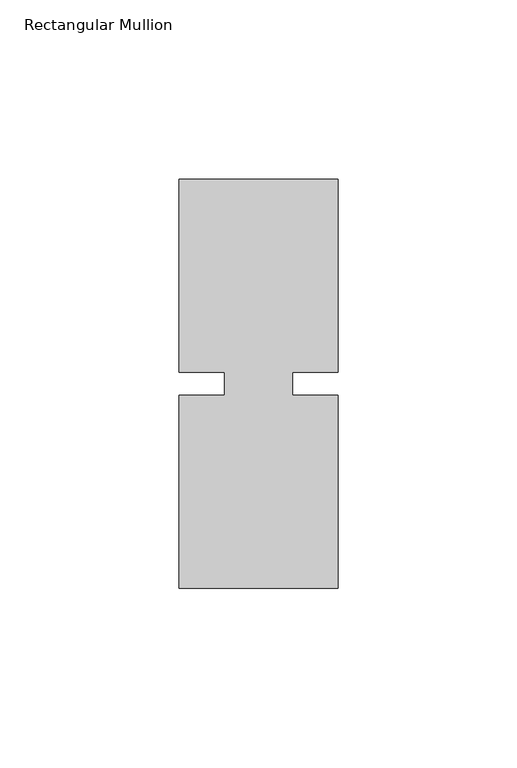
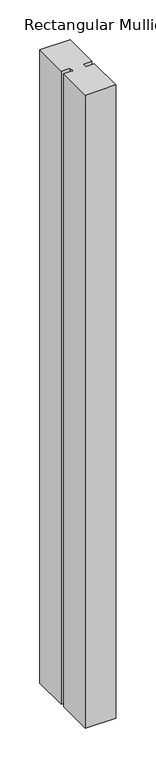
"""IFC4 building model written with IfcOpenShell, lengths in millimetres: member geometry, Rectangular Mullion."""

from ifc_helpers import new_model, si_unit, frame, origin, place, context, project, spatial, polyline, outline, extrude, source, transform, mapped, element, save


def rectangular_mullion_21c93c68(model_context):
    return source(origin(), model_context, "Body", "SweptSolid", [
        extrude(outline(polyline([(26.5594027, 57.15), (26.5594027, 3.175), (13.8576322, 3.175), (13.8576322, -3.175), (26.5594027, -3.175), (26.5594027, -57.15), (-17.8905973, -57.15), (-17.8905973, -3.175), (-5.1905973, -3.175), (-5.1905973, 3.175), (-17.8905973, 3.175), (-17.8905973, 57.15), (26.5594027, 57.15)])), frame((0.0, 0.0, -971.55), z_axis=(0.0, 0.0, 1.0), x_axis=(1.0, 0.0, 0.0)), (0.0, 0.0, 1.0), 971.55),
    ])


if __name__ == "__main__":
    model = new_model("IFC4")
    model_context = context("Model", 3, world=origin())
    ifc_project = project(units=[si_unit("LENGTHUNIT", "METRE", prefix="MILLI")], contexts=[model_context])
    site = spatial("IfcSite", under=ifc_project)
    building = spatial("IfcBuilding", under=site)
    placement = place(None, origin())
    rectangular_mullion_shape = rectangular_mullion_21c93c68(model_context)
    element("IfcMember", 1, ObjectType="Rectangular Mullion", at=placement, inside=building, context=model_context, shape_type="MappedRepresentation", body=[
        mapped(rectangular_mullion_shape, transform((0.0, 0.0, 0.0), x_axis=(1.0, 0.0, 0.0), y_axis=(0.0, 1.0, 0.0), z_axis=(0.0, 0.0, 1.0))),
    ])
    save(model, "model.ifc")
